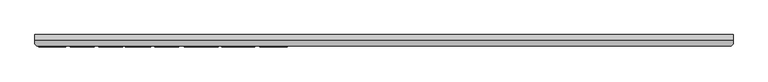
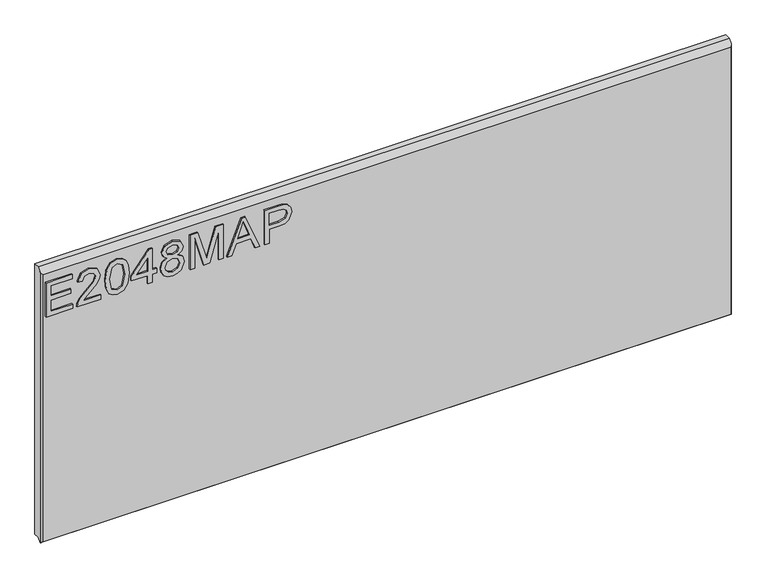
"""IFC4 building model written with IfcOpenShell, lengths in millimetres: furniture geometry."""

from ifc_helpers import new_model, si_unit, frame, origin, place, context, project, spatial, polyline, outline, extrude, faceted_brep, source, transform, mapped, element, save


def furniture_8ea661e2(model_context):
    return source(origin(), model_context, "Body", "SolidModel", [
        extrude(outline(polyline([(1523.7944188, -279.0852904), (1523.7944188, -232.2396877), (1531.7681384, -232.2396877), (1531.7681384, -271.1115708), (1552.6991524, -271.1115708), (1552.6991524, -235.2298325), (1560.672872, -235.2298325), (1560.672872, -271.1115708), (1579.6104561, -271.1115708), (1579.6104561, -233.2364026), (1587.5841757, -233.2364026), (1587.5841757, -279.0852904), (1523.7944188, -279.0852904)])), frame((0.0, -21.9273438, 0.0), z_axis=(0.0, 1.0, 0.0), x_axis=(0.0, 0.0, 1.0)), (0.0, 0.0, 1.0), 2.38125),
        extrude(outline(polyline([(1531.7681384, -182.40394), (1531.7681384, -213.7225927), (1535.8250797, -210.1250747), (1543.4951127, -200.9521824), (1554.420043, -189.5288946), (1562.2380259, -184.8178591), (1569.7990433, -183.400655), (1582.4760116, -188.656769), (1587.5841757, -202.9300386), (1582.9899427, -217.1565872), (1569.6433066, -223.2692531), (1568.6465916, -215.2955335), (1576.6981796, -211.9394073), (1579.6104561, -203.101349), (1576.6280981, -194.621485), (1569.3162595, -191.3743746), (1560.2835302, -194.8161559), (1546.9991887, -208.5832812), (1537.7562149, -218.5660044), (1529.2919247, -223.4094161), (1523.7944188, -224.265968), (1523.7944188, -182.40394), (1531.7681384, -182.40394)])), frame((0.0, -21.9273438, 0.0), z_axis=(0.0, 1.0, 0.0), x_axis=(0.0, 0.0, 1.0)), (0.0, 0.0, 1.0), 2.38125),
        extrude(outline(polyline([(1555.1753661, -174.4302204), (1539.6600962, -172.841706), (1528.8714355, -168.0761626), (1524.3161367, -161.7843995), (1522.7977038, -153.4992064), (1526.293993, -141.8267399), (1536.899663, -134.8886694), (1555.1753661, -132.5681924), (1570.1650245, -134.0165438), (1579.6026692, -137.7542249), (1585.5284511, -144.1861511), (1587.5841757, -153.4992064), (1584.111247, -165.1249519), (1573.5289375, -172.0863829), (1555.1753661, -174.4302204)]), holes=[polyline([(1555.1909397, -166.4565008), (1575.3432702, -162.5942304), (1579.6104561, -153.5926485), (1574.7670444, -144.1550038), (1555.1909397, -140.5419121), (1535.4045906, -144.2795931), (1530.7714234, -153.4992064), (1535.3890169, -162.7188197), (1555.1909397, -166.4565008)])]), frame((0.0, -21.9273438, 0.0), z_axis=(0.0, 1.0, 0.0), x_axis=(0.0, 0.0, 1.0)), (0.0, 0.0, 1.0), 2.38125),
        extrude(outline(polyline([(1523.7944188, -99.676599), (1523.7944188, -91.7028794), (1538.745143, -91.7028794), (1538.745143, -83.7291598), (1546.7188627, -83.7291598), (1546.7188627, -91.7028794), (1586.5874607, -91.7028794), (1586.5874607, -97.6831691), (1546.7188627, -128.5813326), (1538.745143, -128.5813326), (1538.745143, -99.676599), (1523.7944188, -99.676599)]), holes=[polyline([(1546.7188627, -99.676599), (1546.7188627, -118.7699198), (1571.3564104, -99.676599), (1546.7188627, -99.676599)])]), frame((0.0, -21.9273438, 0.0), z_axis=(0.0, 1.0, 0.0), x_axis=(0.0, 0.0, 1.0)), (0.0, 0.0, 1.0), 2.38125),
        extrude(outline(polyline([(1558.9286208, -65.1341964), (1553.1352152, -73.7308629), (1542.5762661, -76.7521551), (1534.8186312, -75.3115905), (1528.4587333, -70.9898968), (1524.2129612, -64.3165787), (1522.7977038, -55.8211411), (1524.207121, -47.3257035), (1528.4353727, -40.6523854), (1542.3582347, -34.8901271), (1552.6757919, -37.7946168), (1558.9286208, -46.2744807), (1563.8576877, -39.2118208), (1571.371984, -36.883557), (1582.8653533, -42.1163105), (1587.5841757, -55.9301568), (1582.974369, -69.6194137), (1571.5900154, -74.7587252), (1563.8810482, -72.399314), (1558.9286208, -65.1341964)]), holes=[polyline([(1571.3564104, -66.7850056), (1577.1809634, -63.9116633), (1579.6104561, -55.8211411), (1577.1264555, -47.7539795), (1570.9982159, -44.8572766), (1565.0802209, -47.6605374), (1562.6663019, -55.7276991), (1565.0957946, -63.9583843), (1571.3564104, -66.7850056)]), polyline([(1542.8565922, -68.7784355), (1551.3130956, -65.4067357), (1554.6925823, -56.0235988), (1551.2663746, -46.3679227), (1542.6074135, -42.8638467), (1534.1119759, -46.258907), (1530.7714234, -55.7588464), (1532.3599379, -62.7358511), (1536.852942, -67.4468866), (1542.8565922, -68.7784355)])]), frame((0.0, -21.9273438, 0.0), z_axis=(0.0, 1.0, 0.0), x_axis=(0.0, 0.0, 1.0)), (0.0, 0.0, 1.0), 2.38125),
        extrude(outline(polyline([(1523.7944188, -24.9229776), (1523.7944188, -16.949258), (1579.6104561, -16.949258), (1523.7944188, -0.9239504), (1523.7944188, 9.8841774), (1579.6104561, 25.909485), (1523.7944188, 25.909485), (1523.7944188, 33.8832046), (1587.5841757, 33.8832046), (1587.5841757, 20.1628003), (1543.4016707, 7.3300953), (1533.2320635, 4.4801135), (1542.6229871, 1.8481631), (1587.5841757, -11.2025733), (1587.5841757, -24.9229776), (1523.7944188, -24.9229776)])), frame((0.0, -21.9273438, 0.0), z_axis=(0.0, 1.0, 0.0), x_axis=(0.0, 0.0, 1.0)), (0.0, 0.0, 1.0), 2.38125),
        extrude(outline(polyline([(1523.7944188, 40.4085728), (1523.7944188, 48.8339289), (1543.7287178, 56.122407), (1543.7287178, 82.3951902), (1523.7944188, 89.6992419), (1523.7944188, 98.124598), (1587.5841757, 72.6616457), (1587.5841757, 65.8715251), (1523.7944188, 40.4085728)]), holes=[polyline([(1551.7024374, 59.0502571), (1568.7556073, 65.2952993), (1579.6104561, 69.2665854), (1567.3851242, 73.736229), (1551.7024374, 79.4829137), (1551.7024374, 59.0502571)])]), frame((0.0, -21.9273438, 0.0), z_axis=(0.0, 1.0, 0.0), x_axis=(0.0, 0.0, 1.0)), (0.0, 0.0, 1.0), 2.38125),
        extrude(outline(polyline([(1523.7944188, 106.6433961), (1523.7944188, 114.6171157), (1549.7090075, 114.6171157), (1549.7090075, 130.8293074), (1551.1184247, 142.1572064), (1555.3466765, 149.3541892), (1569.1293754, 154.4857138), (1577.8272707, 152.5857259), (1583.9944445, 147.563217), (1586.9768025, 139.8153156), (1587.5841757, 130.2842289), (1587.5841757, 106.6433961), (1523.7944188, 106.6433961)]), holes=[polyline([(1557.6827271, 114.6171157), (1579.6104561, 114.6171157), (1579.6104561, 131.1096335), (1579.0653776, 139.0833531), (1575.4522859, 144.4640564), (1568.8490493, 146.5119942), (1560.6105773, 143.0390655), (1557.6827271, 131.2965175), (1557.6827271, 114.6171157)])]), frame((0.0, -21.9273438, 0.0), z_axis=(0.0, 1.0, 0.0), x_axis=(0.0, 0.0, 1.0)), (0.0, 0.0, 1.0), 2.38125),
        faceted_brep([(933.1377049, 0.0, 1612.6944187), (-286.0622951, 0.0, 1612.6944187), (-286.0622951, -9.7234375, 1612.6944187), (933.1377049, -9.7234375, 1612.6944187), (-286.0622951, 0.0, 1108.1226364), (933.1377049, 0.0, 1108.1226364), (933.1377049, -10.0210916, 1108.1226364), (-286.0622951, -10.0210916, 1108.1226364), (-286.0622951, -16.3710916, 1101.7726364), (-286.0622951, -16.3710938, 1606.0467625), (929.9627049, -19.5460937, 1602.8717625), (-282.8872951, -19.5460937, 1602.8717625), (-282.8872951, -19.5460937, 1104.9476364), (929.962707, -19.5460937, 1104.9476364), (933.1377049, -16.3710938, 1606.0467625), (933.1377049, -16.3710938, 1101.7726364)], [[[0, 1, 2, 3]], [[4, 5, 6, 7]], [[1, 4, 7, 8, 9, 2]], [[10, 11, 12, 13]], [[5, 0, 3, 14, 15, 6]], [[1, 0, 5, 4]], [[3, 2, 9, 11, 10, 14]], [[6, 15, 8, 7]], [[8, 15, 13, 12]], [[9, 8, 12, 11]], [[10, 13, 15, 14]]]),
    ])


if __name__ == "__main__":
    model = new_model("IFC4")
    model_context = context("Model", 3, world=origin())
    ifc_project = project(units=[si_unit("LENGTHUNIT", "METRE", prefix="MILLI")], contexts=[model_context])
    site = spatial("IfcSite", under=ifc_project)
    building = spatial("IfcBuilding", under=site)
    placement = place(None, origin())
    furniture_shape = furniture_8ea661e2(model_context)
    element("IfcFurniture", 1, at=placement, inside=building, context=model_context, shape_type="MappedRepresentation", body=[
        mapped(furniture_shape, transform((0.0, 0.0, 0.0), x_axis=(1.0, 0.0, 0.0), y_axis=(0.0, 1.0, 0.0), z_axis=(0.0, 0.0, 1.0))),
    ])
    save(model, "model.ifc")
